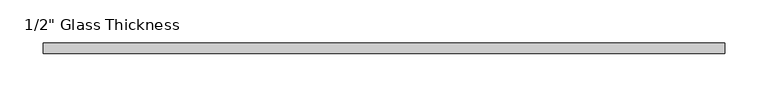
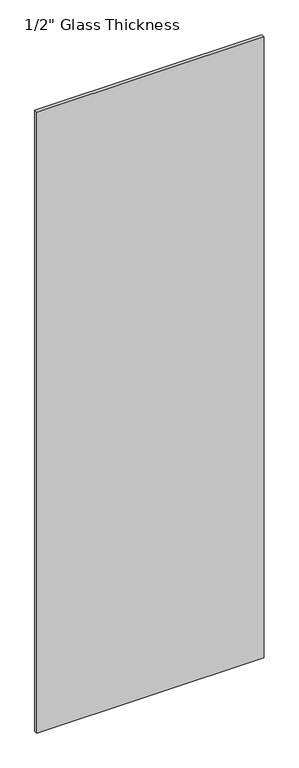
"""IFC4 building model written with IfcOpenShell, lengths in millimetres: plate geometry."""

from ifc_helpers import new_model, si_unit, origin, origin_with_axes, place, context, project, spatial, polyline, outline, extrude, source, transform, mapped, element, save


def plate_bbd83b40(model_context):
    return source(origin(), model_context, "Body", "SweptSolid", [
        extrude(outline(polyline([(393.0, 0.0), (-393.0, 0.0), (-393.0, 12.0), (393.0, 12.0), (393.0, 0.0)])), origin_with_axes(), (0.0, 0.0, 1.0), 2267.0),
    ])


if __name__ == "__main__":
    model = new_model("IFC4")
    model_context = context("Model", 3, world=origin())
    ifc_project = project(units=[si_unit("LENGTHUNIT", "METRE", prefix="MILLI")], contexts=[model_context])
    site = spatial("IfcSite", under=ifc_project)
    building = spatial("IfcBuilding", under=site)
    placement = place(None, origin())
    plate_shape = plate_bbd83b40(model_context)
    element("IfcPlate", 1, ObjectType="1/2\" Glass Thickness", at=placement, inside=building, context=model_context, shape_type="MappedRepresentation", body=[
        mapped(plate_shape, transform((0.0, 0.0, 0.0), x_axis=(1.0, 0.0, 0.0), y_axis=(0.0, 1.0, 0.0), z_axis=(0.0, 0.0, 1.0))),
    ])
    save(model, "model.ifc")
